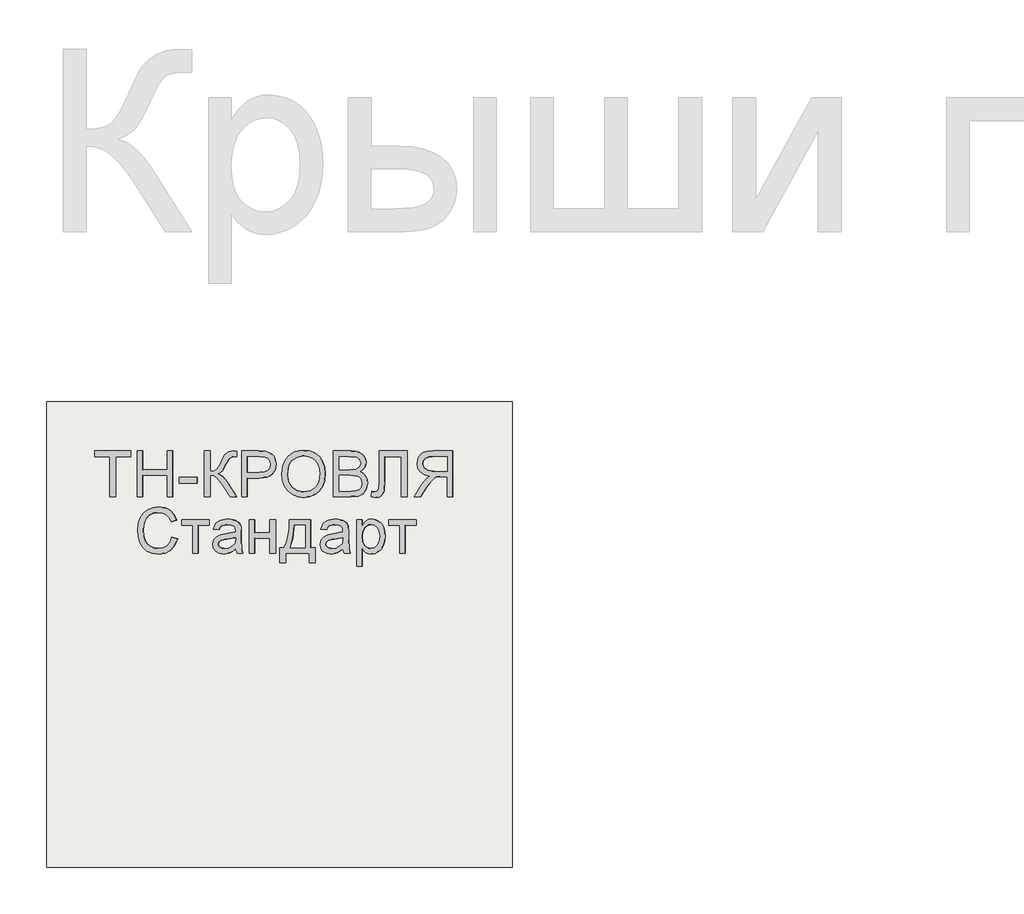
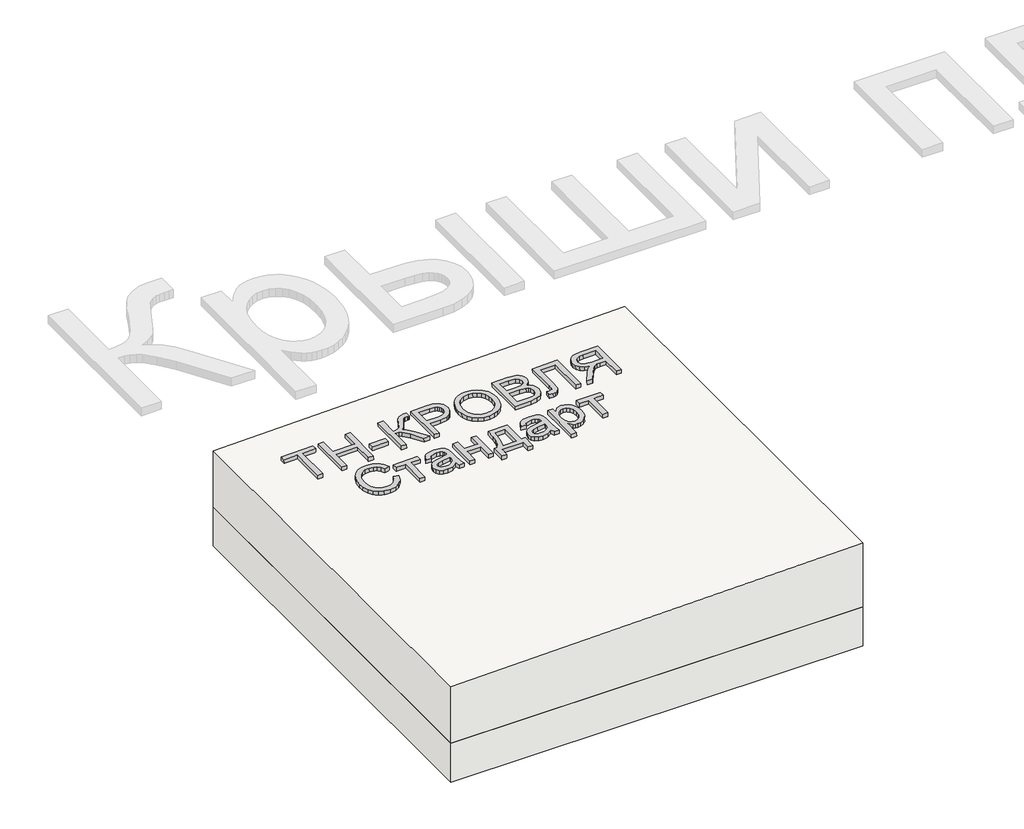
# One storey, part 1 of 2: 1 proxy, 1 roof, 1 slab.
"""IFC4 building model written with IfcOpenShell, lengths in millimetres."""

from ifc_helpers import new_model, si_unit, frame, origin, place, context, project, spatial, polyline, outline, extrude, element, save

model = new_model("IFC4")

# Units and contexts
model_context = context("Model", 3, world=origin())
ifc_project = project(units=[si_unit("LENGTHUNIT", "METRE", prefix="MILLI")], contexts=[model_context])

# Site, building, storey
site = spatial("IfcSite", under=ifc_project)
building = spatial("IfcBuilding", under=site)
storey = spatial("IfcBuildingStorey", under=building, Elevation=0.0)

# Proxy
placement = place(None, origin())
element("IfcBuildingElementProxy", 1, Name="Generic Models", at=placement, inside=storey, context=model_context, shape_type="SweptSolid", body=[
    extrude(outline(polyline([(24.6153846, 0.0), (24.6153846, -172.3076923), (89.2307693, -172.3076923), (89.2307693, -196.9230769), (-64.6153846, -196.9230769), (-64.6153846, -172.3076923), (0.0, -172.3076923), (0.0, 0.0), (24.6153846, 0.0)])), frame((-1996.1559809, -4710.2316754, 294.9489685), z_axis=(-0.019996001199563986, 0.0, 0.9998000599800078), x_axis=(-0.9998000599800078, 0.0, -0.019996001199563986)), (0.0, 0.0, 1.0), 20.0),
    extrude(outline(polyline([(24.6153846, 0.0), (24.6153846, -196.9230769), (0.0, -196.9230769), (0.0, -116.9230769), (-104.6153846, -116.9230769), (-104.6153846, -196.9230769), (-129.2307692, -196.9230769), (-129.2307692, 0.0), (-104.6153846, 0.0), (-104.6153846, -92.3076923), (0.0, -92.3076923), (0.0, 0.0), (24.6153846, 0.0)])), frame((-1879.2562816, -4710.2316754, 297.2869625), z_axis=(-0.01999600119956399, 0.0, 0.9998000599800078), x_axis=(-0.9998000599800078, 0.0, -0.01999600119956399)), (0.0, 0.0, 1.0), 20.0),
    extrude(outline(polyline([(76.9230769, 0.0), (76.9230769, -24.6153846), (0.0, -24.6153846), (0.0, 0.0), (76.9230769, 0.0)])), frame((-1645.456883, -4651.7701369, 301.9629504), z_axis=(-0.01999600119956399, 0.0, 0.9998000599800079), x_axis=(-0.9998000599800079, 0.0, -0.01999600119956399)), (0.0, 0.0, 1.0), 20.0),
    extrude(outline(polyline([(196.9230769, 0.0), (196.9230769, -24.6153846), (110.7692308, -24.6153846), (112.3978365, -41.2800481), (117.2836538, -52.1394231), (128.7800481, -60.9194711), (150.2403846, -71.3461539), (177.7644231, -84.9278846), (191.3942308, -100.3125), (196.9230769, -122.3076923), (196.6346154, -138.4615385), (172.0192308, -138.4615385), (172.1634615, -133.0288462), (172.3076923, -127.5961539), (170.8293269, -116.3221153), (166.3942308, -108.3653846), (141.0576923, -93.75), (110.1923077, -76.3221153), (100.0, -59.3269231), (88.8701923, -78.329327), (65.6730769, -97.0673077), (0.0, -138.4615385), (0.0, -109.9038462), (55.4807692, -74.9038462), (84.4471154, -50.2644231), (90.3425481, -38.8882212), (92.3076923, -24.6153846), (0.0, -24.6153846), (0.0, 0.0), (196.9230769, 0.0)])), frame((-1614.6938042, -4710.2316754, 302.578212), z_axis=(-0.019996001199563986, 0.0, 0.9998000599800078), x_axis=(0.0, 1.0, 0.0)), (0.0, 0.0, 1.0), 20.0),
    extrude(outline(polyline([(24.6153846, 0.0), (24.6153846, -196.9230769), (-48.3653847, -196.9230769), (-77.7884615, -195.0480769), (-101.7067307, -185.8413461), (-110.4026442, -177.6802885), (-117.2115385, -166.8028846), (-123.0769231, -139.9519231), (-119.1165866, -116.7427885), (-107.235577, -97.4038461), (-97.7208534, -89.7896635), (-85.0180289, -84.3509615), (-50.0480769, -80.0), (0.0, -80.0), (0.0, 0.0), (24.6153846, 0.0)]), holes=[polyline([(0.0, -104.6153846), (-51.4903846, -104.6153846), (-73.3173077, -106.875), (-87.7403846, -113.6538461), (-95.78125, -124.53125), (-98.4615385, -139.0865385), (-96.8810096, -150.1442308), (-92.1394231, -159.4711538), (-84.8257212, -166.4903846), (-75.5288461, -170.625), (-50.9134615, -172.3076923), (0.0, -172.3076923), (0.0, -104.6153846)])]), frame((-1430.1153316, -4710.2316754, 306.2697815), z_axis=(-0.01999600119956399, 0.0, 0.9998000599800078), x_axis=(-0.9998000599800078, 0.0, -0.01999600119956399)), (0.0, 0.0, 1.0), 20.0),
    extrude(outline(polyline([(25.3428445, 0.0), (48.1160484, -4.1938573), (67.8912361, -11.3545773), (84.6684074, -21.48216), (98.4475626, -34.5766053), (108.9049086, -49.9093782), (115.7166524, -66.7519434), (118.8827941, -85.1043011), (118.4033337, -104.9664512), (112.3116986, -130.2760814), (100.0658902, -152.2136344), (82.4868293, -169.6009171), (60.3954366, -181.2597367), (34.812491, -187.0380147), (6.7587717, -186.7836729), (-21.0136463, -180.6528553), (-44.9882084, -168.8870737), (-63.9421568, -152.1247694), (-76.6527338, -131.0043835), (-83.1347827, -107.1750808), (-83.4031474, -82.2860261), (-77.165962, -56.5935492), (-64.600884, -34.5586152), (-46.7404789, -17.2511252), (-24.6173127, -5.740981), (0.0, 0.0), (25.3428445, 0.0)]), holes=[polyline([(22.3721769, -24.4366544), (-8.7890431, -25.9094147), (-33.7562618, -37.9787802), (-50.9832576, -58.3865326), (-58.9238091, -84.8744541), (-57.0179297, -112.8610054), (-44.5775814, -136.6179285), (-34.5460353, -146.3414541), (-22.1589797, -153.8699216), (9.6816594, -162.341683), (31.570013, -162.6815636), (50.9840871, -158.5364567), (67.4340475, -150.0149318), (80.43006, -137.2255581), (89.4380632, -121.0520253), (93.9239955, -102.3780231), (92.2935561, -75.5530127), (81.0850249, -51.6494364), (71.4163804, -41.5325654), (58.4080243, -33.6248113), (22.3721769, -24.4366544)])]), frame((-1279.6406158, -4639.5525889, 309.2792758), z_axis=(-0.01999600119956399, 0.0, 0.9998000599800078), x_axis=(-0.11095588221400877, 0.9938228553011809, -0.0022191176442761438)), (0.0, 0.0, 1.0), 20.0),
    extrude(outline(polyline([(74.5673077, 0.0), (74.5673077, -196.9230769), (-0.5769232, -196.9230769), (-21.2439904, -195.4747596), (-37.3798077, -191.1298077), (-49.7475962, -183.7800481), (-59.110577, -173.3173077), (-65.0060097, -161.0096154), (-66.9711539, -148.125), (-65.3185097, -136.2680288), (-60.360577, -125.1201923), (-52.0612981, -115.3665865), (-40.3846154, -107.6923077), (-54.3329327, -100.4086538), (-64.6394231, -89.3269231), (-71.0036059, -75.1802885), (-73.125, -58.7019231), (-67.3317308, -32.2355769), (-52.9807693, -13.3894231), (-31.5625, -3.3894231), (0.0, 0.0), (74.5673077, 0.0)]), holes=[polyline([(49.951923, -116.9230769), (5.0, -116.9230769), (-21.25, -119.0384615), (-37.0432692, -128.1490385), (-42.3557693, -144.1826923), (-37.4038462, -160.2403846), (-23.2211539, -169.7355769), (8.4134615, -172.3076923), (49.951923, -172.3076923), (49.951923, -116.9230769)]), polyline([(49.951923, -24.6153846), (-0.5288462, -24.6153846), (-18.798077, -25.5769231), (-34.2548077, -30.9375), (-44.4951924, -41.875), (-48.5096154, -58.4615385), (-43.798077, -77.5961538), (-37.626202, -84.5132211), (-28.5336539, -89.0144231), (1.875, -92.3076923), (49.951923, -92.3076923), (49.951923, -24.6153846)])]), frame((-986.4059877, -4710.2316754, 315.1439683), z_axis=(-0.019996001199563986, 0.0, 0.9998000599800078), x_axis=(-0.9998000599800078, 0.0, -0.019996001199563986)), (0.0, 0.0, 1.0), 20.0),
    extrude(outline(polyline([(137.6442308, 0.0), (137.6442308, -120.0), (-59.2788461, -120.0), (-59.2788461, -95.3846153), (113.0288462, -95.3846153), (113.0288462, -24.6153846), (12.548077, -24.6153846), (-32.2836538, -21.7548077), (-44.951923, -17.3257211), (-54.4471153, -9.7596153), (-60.3786057, 0.6009616), (-62.3557692, 13.4134616), (-59.2788461, 33.8461539), (-34.6634615, 30.7692308), (-37.7403846, 18.9903846), (-36.0877403, 10.6670674), (-31.1298076, 4.7355769), (-20.0420673, 1.1838943), (0.0, 0.0), (137.6442308, 0.0)])), frame((-864.0746822, -4650.9528293, 317.5905945), z_axis=(-0.019996001199563986, 0.0, 0.9998000599800078), x_axis=(0.0, 1.0, 0.0)), (0.0, 0.0, 1.0), 20.0),
    extrude(outline(polyline([(24.6153846, -110.7692308), (0.0, -110.7692308), (0.0, -24.6153847), (-29.7115385, -24.6153847), (-43.9903846, -25.4807693), (-55.6971154, -30.1682693), (-68.7019231, -42.9326923), (-87.2115385, -69.9519231), (-112.8365385, -110.7692308), (-141.4423077, -110.7692308), (-108.6057692, -57.4038462), (-88.6538462, -32.0673077), (-74.6634616, -21.5384616), (-98.9122596, -15.0120193), (-115.8894231, -3.2211539), (-125.8954327, 12.8605769), (-129.2307693, 32.2596153), (-127.2175481, 47.8545673), (-121.1778846, 62.0432692), (-111.766827, 73.4855769), (-99.6394231, 80.8413461), (-83.046875, 84.8257211), (-60.2403847, 86.1538461), (24.6153846, 86.1538461), (24.6153846, -110.7692308)]), holes=[polyline([(0.0, 0.0), (0.0, 61.5384615), (-61.2980769, 61.5384615), (-80.7752404, 59.4110577), (-94.2067308, 53.0288461), (-102.0132212, 43.3533653), (-104.6153846, 31.3461538), (-99.1586539, 14.639423), (-83.1971154, 3.4855769), (-55.0961539, 0.0), (0.0, 0.0)])]), frame((-571.8254339, -4599.4624446, 323.4355794), z_axis=(-0.019996001199563986, 0.0, 0.9998000599800078), x_axis=(0.9998000599800078, 0.0, 0.019996001199563986)), (0.0, 0.0, 1.0), 20.0),
    extrude(outline(polyline([(22.5354079, 0.0), (25.296308, -25.2699081), (-5.5506296, -24.7796777), (-31.452572, -15.5094536), (-51.7172012, 1.8643534), (-65.6521992, 26.665333), (-72.7161385, 54.5176714), (-71.6541095, 79.1565774), (-62.9869172, 101.0084672), (-47.2353669, 120.4997568), (-26.1873801, 136.7174456), (-1.6308787, 148.7485329), (26.2607092, 156.1677693), (52.5465361, 156.7492124), (76.3287427, 150.6419577), (96.7094699, 137.995101), (113.000055, 120.0196259), (124.5118356, 97.9265161), (130.46148, 71.3235406), (127.5854564, 46.3849145), (116.3008344, 24.0133528), (97.024684, 5.1115705), (82.8399673, 26.0666107), (96.6174416, 40.3925606), (104.0173216, 55.650124), (105.4046693, 72.1313636), (101.1445465, 90.1283425), (91.2118017, 108.9763124), (77.6877546, 122.4335433), (61.4947541, 130.4051578), (43.5551487, 132.796278), (25.0378535, 130.8321413), (7.1117836, 125.7379848), (-13.5055529, 115.9656325), (-29.9321499, 103.8061216), (-41.3909419, 89.3281159), (-47.1048631, 72.6002794), (-47.6221488, 54.9380281), (-43.4910345, 37.6567782), (-33.3749751, 19.5140243), (-18.757379, 6.7332198), (0.0, 0.0), (22.5354079, 0.0)])), frame((-1762.6269609, -4904.3903293, 299.6195489), z_axis=(-0.01999600119956399, 0.0, 0.9998000599800079), x_axis=(0.3532728748260901, 0.9354936425345043, 0.0070654574965090386)), (0.0, 0.0, 1.0), 20.0),
    extrude(outline(polyline([(24.6153846, 0.0), (24.6153846, -116.9230769), (0.0, -116.9230769), (0.0, -70.7692308), (-120.0, -70.7692308), (-120.0, -46.1538461), (0.0, -46.1538461), (0.0, 0.0), (24.6153846, 0.0)])), frame((-1711.5975023, -4833.3085985, 300.640138), z_axis=(-0.019996001199563986, 0.0, 0.9998000599800078), x_axis=(0.0, 1.0, 0.0)), (0.0, 0.0, 1.0), 20.0),
    extrude(outline(polyline([(19.4601702, -1e-07), (11.1819963, 27.9207832), (14.9143961, 54.4732733), (24.1902839, 73.0649574), (37.3011934, 84.6897486), (52.8826325, 89.3590492), (69.5701086, 87.0842617), (86.5521477, 76.4571844), (96.0465823, 60.2429097), (98.2586564, 41.3376585), (95.0355657, 19.9618777), (89.5623928, -23.2153749), (94.7162973, -25.0853757), (105.6740454, -26.9515756), (114.1004512, -24.4012291), (122.7587066, -15.3020791), (129.4557417, -0.8361792), (132.8384667, 24.2872046), (128.8153045, 32.9891694), (120.6530554, 40.8663574), (131.3561489, 63.2455532), (150.7935143, 45.5413592), (155.5977439, 34.3745663), (157.376525, 20.7448455), (151.8045309, -11.6304924), (138.2204199, -38.5478606), (122.4698447, -51.0601419), (104.2335367, -52.9377443), (83.4202766, -47.2669291), (54.3668506, -37.5824538), (13.4016719, -25.2450098), (-7.7840681, -23.3522042), (0.0, 0.0), (19.4601702, -1e-07)]), holes=[polyline([(66.1645787, -15.5681362), (71.5617354, 24.4924486), (74.4731593, 45.8454244), (71.3488898, 56.9970142), (63.4279923, 63.1847402), (55.9042801, 63.7605636), (48.4755881, 60.4405521), (41.8184615, 53.1258846), (36.6094453, 41.7177398), (33.8253486, 28.7094523), (34.3213549, 16.2294779), (42.7667647, -3.5119526), (59.5967713, -13.2268344), (66.1645787, -15.5681362)])]), frame((-1474.7217958, -4953.3085985, 305.3776522), z_axis=(-0.019996001199563993, 0.0, 0.9998000599800079), x_axis=(-0.3161645394309611, 0.9486832980505197, -0.006323290788607769)), (0.0, 0.0, 1.0), 20.0),
    extrude(outline(polyline([(144.6153846, 0.0), (144.6153846, -24.6153846), (89.2307692, -24.6153846), (89.2307692, -89.2307692), (144.6153846, -89.2307692), (144.6153846, -113.8461539), (0.0, -113.8461539), (0.0, -89.2307692), (64.6153846, -89.2307692), (64.6153846, -24.6153846), (0.0, -24.6153846), (0.0, 0.0), (144.6153846, 0.0)])), frame((-1422.4245619, -4953.3085985, 306.4235969), z_axis=(-0.019996001199563986, 0.0, 0.9998000599800078), x_axis=(0.0, 1.0, 0.0)), (0.0, 0.0, 1.0), 20.0),
    extrude(outline(polyline([(39.8055302, 0.0), (42.4115803, -92.2708977), (-77.5405867, -95.6587629), (-77.0193766, -114.1129424), (-141.609005, -115.9371775), (-142.3039517, -91.3316048), (-102.319896, -90.2023164), (-105.1865512, 11.2956711), (-145.1706069, 10.1663827), (-145.8655536, 34.7719554), (-81.2759252, 36.5961905), (-80.8415835, 21.2177075), (-60.3235569, 10.6088538), (-33.3763624, 3.5362846), (0.0, 0.0), (39.8055302, 0.0)]), holes=[polyline([(15.8080359, -22.2248229), (-40.4142184, -18.041203), (-80.0597685, -6.4635618), (-78.2355334, -71.0531902), (17.1110609, -68.3602717), (15.8080359, -22.2248229)])]), frame((-1251.2748942, -4848.4828773, 309.8465902), z_axis=(-0.019996001199563993, 0.0, 0.9998000599800079), x_axis=(0.02822656492556626, 0.9996013917241792, 0.0005645312985103214)), (0.0, 0.0, 1.0), 20.0),
    extrude(outline(polyline([(19.4601702, -1e-07), (11.1819963, 27.9207832), (14.9143961, 54.4732733), (24.1902839, 73.0649574), (37.3011934, 84.6897486), (52.8826325, 89.3590492), (69.5701086, 87.0842617), (86.5521477, 76.4571843), (96.0465823, 60.2429097), (98.2586563, 41.3376584), (95.0355657, 19.9618776), (89.5623928, -23.2153749), (94.7162973, -25.0853757), (105.6740454, -26.9515756), (114.1004512, -24.4012291), (122.7587066, -15.3020791), (129.4557417, -0.8361792), (132.8384667, 24.2872046), (128.8153045, 32.9891693), (120.6530554, 40.8663574), (131.3561489, 63.2455532), (150.7935143, 45.5413592), (155.5977438, 34.3745662), (157.376525, 20.7448455), (151.8045309, -11.6304924), (138.2204199, -38.5478606), (122.4698447, -51.060142), (104.2335367, -52.9377443), (83.4202766, -47.2669291), (54.3668506, -37.5824538), (13.4016719, -25.2450099), (-7.7840681, -23.3522042), (0.0, 0.0), (19.4601702, -1e-07)]), holes=[polyline([(66.1645787, -15.5681362), (71.5617354, 24.4924486), (74.4731593, 45.8454244), (71.3488897, 56.9970141), (63.4279923, 63.1847402), (55.90428, 63.7605635), (48.4755881, 60.4405521), (41.8184615, 53.1258846), (36.6094453, 41.7177398), (33.8253486, 28.7094523), (34.3213549, 16.2294778), (42.7667647, -3.5119526), (59.5967713, -13.2268344), (66.1645787, -15.5681362)])]), frame((-1013.2756143, -4953.3085985, 314.6065758), z_axis=(-0.01999600119956399, 0.0, 0.9998000599800078), x_axis=(-0.31616453943096734, 0.9486832980505175, -0.006323290788607893)), (0.0, 0.0, 1.0), 20.0),
    extrude(outline(polyline([(24.6153847, 0.0), (24.6153847, -200.0), (0.0, -200.0), (0.0, -175.8653846), (-17.0192307, -196.2740385), (-27.5, -201.376202), (-40.0, -203.0769231), (-56.6466345, -200.6971154), (-71.201923, -193.5576923), (-83.0528846, -182.0913462), (-91.5865384, -166.7307693), (-96.7427885, -148.59375), (-98.4615384, -128.798077), (-96.5204327, -107.7463943), (-90.6971154, -88.9182693), (-81.1778846, -73.2692308), (-68.1490384, -61.7548077), (-52.9747596, -54.6694712), (-37.0192307, -52.3076923), (-25.703125, -53.8882212), (-15.6009615, -58.6298077), (0.0, -74.6153846), (0.0, 0.0), (24.6153847, 0.0)]), holes=[polyline([(0.0, -126.5384616), (-2.6622596, -104.4711539), (-10.6490384, -89.0384616), (-22.4338942, -79.9519231), (-36.4903846, -76.923077), (-50.7752403, -80.0600962), (-62.8605768, -89.4711539), (-71.0997596, -105.46875), (-73.8461538, -128.3653846), (-71.1658653, -150.3125), (-63.1249999, -165.9615385), (-51.3581731, -175.3365385), (-37.5, -178.4615385), (-23.5877403, -175.1382212), (-11.3701923, -165.1682693), (-2.842548, -148.8641827), (0.0, -126.5384616)])]), frame((-936.3679173, -5008.6932139, 316.1447297), z_axis=(-0.01999600119956399, 0.0, 0.9998000599800078), x_axis=(-0.9998000599800078, 0.0, -0.01999600119956399)), (0.0, 0.0, 1.0), 20.0),
    extrude(outline(polyline([(24.6153846, 0.0), (24.6153846, -116.9230769), (0.0, -116.9230769), (0.0, -70.7692308), (-120.0, -70.7692308), (-120.0, -46.1538462), (0.0, -46.1538462), (0.0, 0.0), (24.6153846, 0.0)])), frame((-822.5445259, -4833.3085985, 318.4211976), z_axis=(-0.019996001199563986, 0.0, 0.9998000599800078), x_axis=(0.0, 1.0, 0.0)), (0.0, 0.0, 1.0), 20.0),
])

# Roof
element("IfcRoof", 2, at=placement, inside=storey, context=model_context, shape_type="SweptSolid", body=[
    extrude(outline(polyline([(289.0, -2293.6044048), (0.0, -2293.6044048), (0.0, -293.6044048), (329.0, -293.6044048), (289.0, -2293.6044048)])), frame((0.0, -6302.6148653, 0.0), z_axis=(0.0, 1.0, 0.0), x_axis=(0.0, 0.0, 1.0)), (0.0, 0.0, 1.0), 2000.0),
])

# Slab
element("IfcSlab", 3, at=placement, inside=storey, context=model_context, shape_type="SweptSolid", body=[
    extrude(outline(polyline([(-293.6044048, -6302.6148653), (-2293.6044048, -6302.6148653), (-2293.6044048, -4302.6148653), (-293.6044048, -4302.6148653), (-293.6044048, -6302.6148653)])), frame((0.0, 0.0, -200.0), z_axis=(0.0, 0.0, 1.0), x_axis=(1.0, 0.0, 0.0)), (0.0, 0.0, 1.0), 200.0),
])

save(model, "model.ifc")
